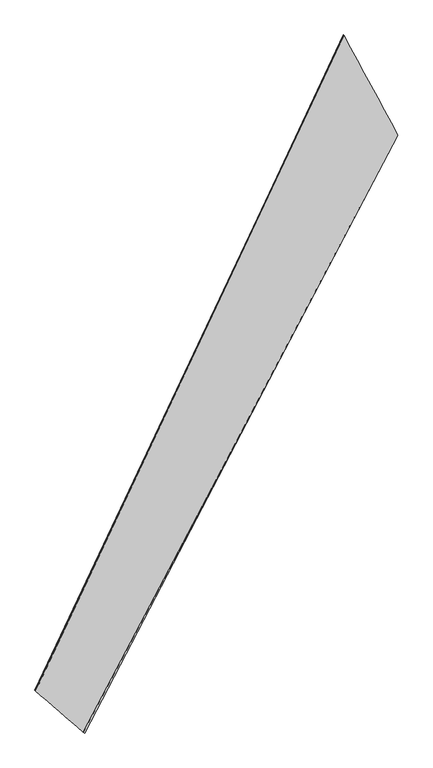
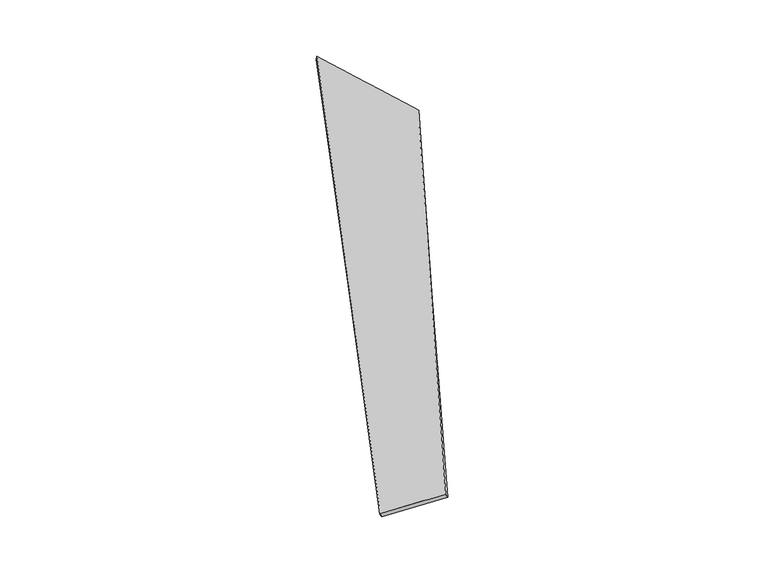
"""IFC4 building model written with IfcOpenShell, lengths in millimetres: proxy geometry."""

import ifcopenshell
import ifcopenshell.guid

model = None  # the IFC model being written
_history = None  # IfcOwnerHistory: only IFC2X3 demands one
_inside = {}  # id of a spatial element -> (the spatial element, [elements in it])
_under = {}  # id of a project, library or spatial element -> (it, [spatial elements below it])
_declared = {}  # id of a project -> (the project, [libraries it declares])
_typed = {}  # id of a type object -> (the type object, [elements of that type])
_made_of = {}  # id of a material, layer set ... -> (it, [elements and type objects made of it])


def new_model(schema):
    """Start an empty IFC model of exactly this schema.

    Asked for "IFC4X3", IfcOpenShell would pick the latest addendum, in which some entities
    have other attributes; the version numbers below select the first issue.
    IFC2X3 requires an IfcOwnerHistory on every rooted entity: one is made here for all.
    """
    global model, _history
    if schema == "IFC4X3":
        model = ifcopenshell.file(schema_version=(4, 3, 0, 0))
    else:
        model = ifcopenshell.file(schema=schema)
    _inside.clear()
    _under.clear()
    _declared.clear()
    _typed.clear()
    _made_of.clear()
    _history = None
    if model.schema == "IFC2X3":
        org = make("IfcOrganization", Name="unknown")
        user = make(
            "IfcPersonAndOrganization",
            ThePerson=make("IfcPerson", FamilyName="unknown"),
            TheOrganization=org,
        )
        app = make(
            "IfcApplication",
            ApplicationDeveloper=org,
            Version="unknown",
            ApplicationFullName="unknown",
            ApplicationIdentifier="unknown",
        )
        _history = make(
            "IfcOwnerHistory",
            OwningUser=user,
            OwningApplication=app,
            ChangeAction="ADDED",
            CreationDate=0,
        )
    return model


def make(cls, **values):
    """One entity of the class cls with the attributes given. An attribute that is None is left unset."""
    return model.create_entity(
        cls, **{name: value for name, value in values.items() if value is not None}
    )


def rooted(cls, **values):
    """An entity with a GlobalId (a new one), such as an element, a storey or a relation."""
    return make(cls, GlobalId=ifcopenshell.guid.new(), OwnerHistory=_history, **values)


def si_unit(unit_type, name, prefix=None):
    """IfcSIUnit, for example si_unit("LENGTHUNIT", "METRE", prefix="MILLI")."""
    return make("IfcSIUnit", UnitType=unit_type, Prefix=prefix, Name=name)


def assignment(units):
    """IfcUnitAssignment: the units of a project."""
    return None if units is None else make("IfcUnitAssignment", Units=units)


def point(xyz):
    """IfcCartesianPoint."""
    return None if xyz is None else make("IfcCartesianPoint", Coordinates=xyz)


def direction(xyz):
    """IfcDirection."""
    return None if xyz is None else make("IfcDirection", DirectionRatios=xyz)


def frame(location, z_axis=None, x_axis=None):
    """IfcAxis2Placement3D, a coordinate frame: its origin and axes. An axis left out is left unset."""
    return make(
        "IfcAxis2Placement3D",
        Location=point(location),
        Axis=direction(z_axis),
        RefDirection=direction(x_axis),
    )


def origin():
    """The frame at (0, 0, 0) with its axes left unset."""
    return frame((0.0, 0.0, 0.0))


def place(relative_to, where):
    """IfcLocalPlacement: puts the frame where relative to a parent placement (None: the world)."""
    return make(
        "IfcLocalPlacement", PlacementRelTo=relative_to, RelativePlacement=where
    )


def context(
    kind, dimensions, precision=None, world=None, true_north=None, identifier=None
):
    """IfcGeometricRepresentationContext, for example the 3D "Model" context."""
    return make(
        "IfcGeometricRepresentationContext",
        ContextIdentifier=identifier,
        ContextType=kind,
        CoordinateSpaceDimension=dimensions,
        Precision=precision,
        WorldCoordinateSystem=world,
        TrueNorth=true_north,
    )


def project(units=None, contexts=None):
    """IfcProject with its units and contexts."""
    return rooted(
        "IfcProject",
        Name="project",
        RepresentationContexts=contexts,
        UnitsInContext=assignment(units),
    )


def spatial(cls, under=None, at=None, **own):
    """A site, building, storey or space (cls), placed at a placement, below another one or the project."""
    s = rooted(cls, ObjectPlacement=at, **own)
    if under is not None:
        _under.setdefault(under.id(), (under, []))[1].append(s)
    return s


def shape(context_of_items, identifier, shape_type, items):
    """IfcShapeRepresentation: the items that make up one representation, for example the "Body"."""
    return make(
        "IfcShapeRepresentation",
        ContextOfItems=context_of_items,
        RepresentationIdentifier=identifier,
        RepresentationType=shape_type,
        Items=items,
    )


def source(mapping_origin, context_of_items, identifier, shape_type, items):
    """IfcRepresentationMap: a shape defined once, which mapped items show again and again."""
    return make(
        "IfcRepresentationMap",
        MappingOrigin=mapping_origin,
        MappedRepresentation=shape(context_of_items, identifier, shape_type, items),
    )


def transform(
    local_origin,
    x_axis=None,
    y_axis=None,
    z_axis=None,
    scale=None,
    scale2=None,
    scale3=None,
    uniform=True,
):
    """IfcCartesianTransformationOperator3D, or its non-uniform kind. x_axis, y_axis, z_axis: its Axis1, 2, 3."""
    if uniform:
        return make(
            "IfcCartesianTransformationOperator3D",
            Axis1=direction(x_axis),
            Axis2=direction(y_axis),
            LocalOrigin=point(local_origin),
            Scale=scale,
            Axis3=direction(z_axis),
        )
    return make(
        "IfcCartesianTransformationOperator3DnonUniform",
        Axis1=direction(x_axis),
        Axis2=direction(y_axis),
        LocalOrigin=point(local_origin),
        Scale=scale,
        Axis3=direction(z_axis),
        Scale2=scale2,
        Scale3=scale3,
    )


def mapped(mapping_source, mapping_target):
    """IfcMappedItem: shows the shape of a source again, moved by a transform."""
    return make(
        "IfcMappedItem", MappingSource=mapping_source, MappingTarget=mapping_target
    )


def made_of(thing, what):
    """Note that an element or type object is made of a material, layer set ...; save() writes the relation."""
    if what is not None:
        _made_of.setdefault(what.id(), (what, []))[1].append(thing)
    return thing


def element(
    cls,
    number,
    at=None,
    inside=None,
    cuts=None,
    type_object=None,
    material=None,
    context=None,
    identifier="Body",
    shape_type=None,
    held_by="IfcProductDefinitionShape",
    body=None,
    shapes=None,
    **own,
):
    """One element of the class cls, such as IfcWall. Its Tag is "e" and its number.

    at: its placement. inside: the storey or other place that contains it. cuts: it is an
    opening in that element (IfcRelVoidsElement). A single representation is given by context,
    identifier, shape_type and body (its items); several are given by shapes. held_by: the class
    of the entity that holds the representations. save() writes the other relations.
    """
    e = rooted(cls, Tag="e%d" % number, ObjectPlacement=at, **own)
    if body is not None:
        shapes = [shape(context, identifier, shape_type, body)]
    if shapes is not None:
        e.Representation = make(held_by, Representations=shapes)
    if inside is not None:
        _inside.setdefault(inside.id(), (inside, []))[1].append(e)
    if cuts is not None:
        rooted(
            "IfcRelVoidsElement", RelatingBuildingElement=cuts, RelatedOpeningElement=e
        )
    if type_object is not None:
        _typed.setdefault(type_object.id(), (type_object, []))[1].append(e)
    return made_of(e, material)


def aggregate(whole, parts):
    """IfcRelAggregates: a whole, such as a stair, and the parts it consists of."""
    return rooted("IfcRelAggregates", RelatingObject=whole, RelatedObjects=parts)


def save(model, path):
    """Write the relations noted so far, then the file.

    IfcRelAggregates (storeys below a building ...), IfcRelContainedInSpatialStructure (elements
    in a storey), IfcRelDefinesByType, IfcRelAssociatesMaterial and IfcRelDeclares: one each for
    every whole, place, type object, material and project.
    """
    for whole, parts in _under.values():
        aggregate(whole, parts)
    for where, things in _inside.values():
        rooted(
            "IfcRelContainedInSpatialStructure",
            RelatedElements=things,
            RelatingStructure=where,
        )
    for kind, things in _typed.values():
        rooted("IfcRelDefinesByType", RelatedObjects=things, RelatingType=kind)
    for what, things in _made_of.values():
        rooted("IfcRelAssociatesMaterial", RelatedObjects=things, RelatingMaterial=what)
    for by, libraries in _declared.values():
        rooted("IfcRelDeclares", RelatingContext=by, RelatedDefinitions=libraries)
    model.write(path)


def spline_surface(u_degree, v_degree, points, u_multiplicities, v_multiplicities, u_knots, v_knots, weights=None):
    """IfcBSplineSurfaceWithKnots; with weights, IfcRationalBSplineSurfaceWithKnots. points: one row for each step in u."""
    own = dict(
        UDegree=u_degree,
        VDegree=v_degree,
        ControlPointsList=[[point(p) for p in row] for row in points],
        SurfaceForm="UNSPECIFIED",
        UClosed=False,
        VClosed=False,
        SelfIntersect=False,
        UMultiplicities=u_multiplicities,
        VMultiplicities=v_multiplicities,
        UKnots=u_knots,
        VKnots=v_knots,
        KnotSpec="UNSPECIFIED",
    )
    if weights is None:
        return make("IfcBSplineSurfaceWithKnots", **own)
    return make("IfcRationalBSplineSurfaceWithKnots", WeightsData=weights, **own)


def advanced_brep(points, edges, surfaces, faces):
    """IfcAdvancedBrep: a solid bounded by faces that lie on surfaces and meet in shared edges.

    An edge is (start, end): straight between two places in points (the first is 0);
    or (start, end, curve); or (start, end, curve, False) where it runs against its curve.
    A face is (place in surfaces, loops), or (place, loops, False) where it looks against
    its surface's normal. A loop lists edges by number (the first is 1), with a minus sign
    where the edge is run from its end to its start. The first loop is the outer one.
    """
    corners = [point(p) for p in points]
    vertices = [make("IfcVertexPoint", VertexGeometry=c) for c in corners]
    made = []
    for start, end, *more in edges:
        made.append(
            make(
                "IfcEdgeCurve",
                EdgeStart=vertices[start],
                EdgeEnd=vertices[end],
                EdgeGeometry=more[0] if more else make("IfcPolyline", Points=[corners[start], corners[end]]),
                SameSense=more[1] if len(more) > 1 else True,
            )
        )
    hull = []
    for where, loops, *sense in faces:
        bounds = []
        for j, loop in enumerate(loops):
            ring = [make("IfcOrientedEdge", EdgeElement=made[abs(k) - 1], Orientation=k > 0) for k in loop]
            bounds.append(
                make(
                    "IfcFaceOuterBound" if j == 0 else "IfcFaceBound",
                    Bound=make("IfcEdgeLoop", EdgeList=ring),
                    Orientation=True,
                )
            )
        hull.append(make("IfcAdvancedFace", Bounds=bounds, FaceSurface=surfaces[where], SameSense=sense[0] if sense else True))
    return make("IfcAdvancedBrep", Outer=make("IfcClosedShell", CfsFaces=hull))


def generic_models_586f35df(model_context):
    return source(origin(), model_context, "Body", "AdvancedBrep", [
        advanced_brep(
        [(-908.1032423, -2300.5282138, 117.6950847), (-897.039732, -2307.5573732, 90.7100952), (1434.1986757, 2155.1399018, -108.4663774), (1440.8729674, 2152.9095597, -79.3033974), (-1257.239303, -1994.5757036, -139.7795816), (1032.2099532, 2900.6935225, 45.3505216), (-1270.0230796, -1989.5650314, -113.10622), (1037.2533545, 2897.1836854, 74.7145327)],
        [
            (0, 1),
            (1, 2),
            (2, 3),
            (3, 0),
            (1, 4),
            (4, 5),
            (5, 2),
            (4, 6),
            (6, 7),
            (7, 5),
            (6, 0),
            (3, 7),
        ],
        [
            spline_surface(1, 1, [[(-908.1032423, -2300.5282138, 117.6950847), (1440.8729674, 2152.9095597, -79.3033974)], [(-897.039732, -2307.5573732, 90.7100952), (1434.1986757, 2155.1399018, -108.4663774)]], [2, 2], [2, 2], [0.0, 1.0], [0.0, 1.0]),
            spline_surface(1, 1, [[(-897.039732, -2307.5573732, 90.7100952), (1434.1986757, 2155.1399018, -108.4663774)], [(-1257.239303, -1994.5757036, -139.7795816), (1032.2099532, 2900.6935225, 45.3505216)]], [2, 2], [2, 2], [0.0, 1.0], [0.0, 1.0]),
            spline_surface(1, 1, [[(-1257.239303, -1994.5757036, -139.7795816), (1032.2099532, 2900.6935225, 45.3505216)], [(-1270.0230796, -1989.5650314, -113.10622), (1037.2533545, 2897.1836854, 74.7145327)]], [2, 2], [2, 2], [0.0, 1.0], [0.0, 1.0]),
            spline_surface(1, 1, [[(-1270.0230796, -1989.5650314, -113.10622), (1037.2533545, 2897.1836854, 74.7145327)], [(-908.1032423, -2300.5282138, 117.6950847), (1440.8729674, 2152.9095597, -79.3033974)]], [2, 2], [2, 2], [0.0, 1.0], [0.0, 1.0]),
            spline_surface(1, 1, [[(1434.1986757, 2155.1399018, -108.4663774), (1440.8729674, 2152.9095597, -79.3033974)], [(1032.2099532, 2900.6935225, 45.3505216), (1037.2533545, 2897.1836854, 74.7145327)]], [2, 2], [2, 2], [0.0, 1.0], [0.0, 1.0]),
            spline_surface(1, 1, [[(-1270.0230796, -1989.5650314, -113.10622), (-908.1032423, -2300.5282138, 117.6950847)], [(-1257.239303, -1994.5757036, -139.7795816), (-897.039732, -2307.5573732, 90.7100952)]], [2, 2], [2, 2], [0.0, 1.0], [0.0, 1.0]),
        ],
        [
            (0, [[1, 2, 3, 4]]),
            (1, [[5, 6, 7, -2]]),
            (2, [[8, 9, 10, -6]]),
            (3, [[11, -4, 12, -9]]),
            (4, [[-3, -7, -10, -12]]),
            (5, [[-11, -8, -5, -1]]),
        ],
    ),
    ])


if __name__ == "__main__":
    model = new_model("IFC4")
    model_context = context("Model", 3, world=origin())
    ifc_project = project(units=[si_unit("LENGTHUNIT", "METRE", prefix="MILLI")], contexts=[model_context])
    site = spatial("IfcSite", under=ifc_project)
    building = spatial("IfcBuilding", under=site)
    placement = place(None, origin())
    generic_models_shape = generic_models_586f35df(model_context)
    element("IfcBuildingElementProxy", 1, Name="Generic Models", at=placement, inside=building, context=model_context, shape_type="MappedRepresentation", body=[
        mapped(generic_models_shape, transform((0.0, 0.0, 0.0), x_axis=(1.0, 0.0, 0.0), y_axis=(0.0, 1.0, 0.0), z_axis=(0.0, 0.0, 1.0))),
    ])
    save(model, "model.ifc")
